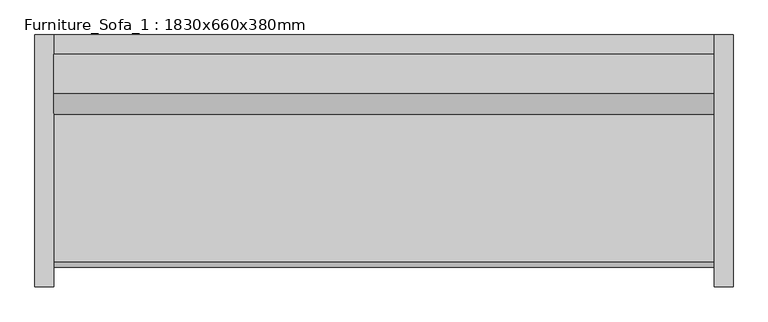
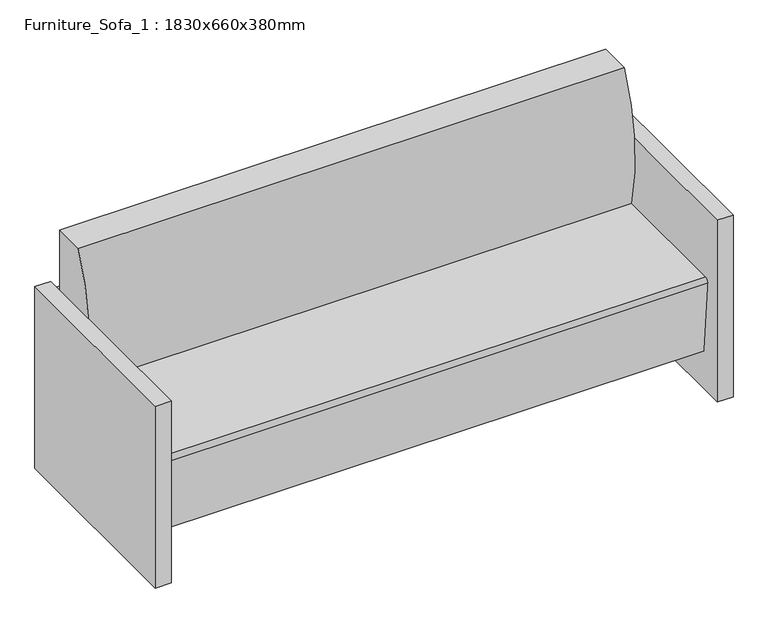
"""IFC4 building model written with IfcOpenShell, lengths in millimetres: furniture geometry, Furniture_Sofa_1 : 1830x660x380mm."""

from ifc_helpers import new_model, si_unit, point, frame, frame_2d, origin, origin_with_axes, place, context, project, spatial, polyline, circle_curve, trimmed, segment, composite_curve, outline, extrude, source, transform, mapped, element, save


def furniture_sofa_1_1830x660x380mm_0f0e3541(model_context):
    return source(origin(), model_context, "Body", "SweptSolid", [
        extrude(outline(polyline([(-794.6295082, 476.3540984), (-794.6295082, -184.0459016), (-844.6295082, -184.0459016), (-844.6295082, 476.3540984), (-794.6295082, 476.3540984)])), origin_with_axes(), (0.0, 0.0, 1.0), 609.6),
        extrude(outline(polyline([(985.3704918, 476.3540984), (985.3704918, -184.0459016), (935.3704918, -184.0459016), (935.3704918, 476.3540984), (985.3704918, 476.3540984)])), origin_with_axes(), (0.0, 0.0, 1.0), 609.6),
        extrude(outline(composite_curve([segment(trimmed(circle_curve(frame_2d((926.517198, 542.5300036)), 660.4), [point((286.1764935, 381.0))], [point((323.9540984, 812.8))], False, "CARTESIAN"), True, "CONTINUOUS"), segment(polyline([(323.9540984, 812.8), (425.5540984, 812.8), (425.5540984, 127.9665467), (-111.108343, 127.9665467), (-132.0379563, 367.1931221)]), True, "CONTINUOUS"), segment(trimmed(circle_curve(frame_2d((-119.3862837, 368.3)), 12.7), [point((-132.0379563, 367.1931221))], [point((-119.3862837, 381.0))], False, "CARTESIAN"), True, "CONTINUOUS"), segment(polyline([(-119.3862837, 381.0), (286.1764935, 381.0)]), True, "CONTINUOUS")], self_intersect=False)), frame((-794.6295082, 0.0, 0.0), z_axis=(1.0, 0.0, 0.0), x_axis=(0.0, 1.0, 0.0)), (0.0, 0.0, 1.0), 1729.2),
        extrude(outline(polyline([(-794.6295082, 425.5540984), (-794.6295082, 476.3540984), (934.5704918, 476.3540984), (934.5704918, 425.5540984), (-794.6295082, 425.5540984)])), frame((0.0, 0.0, 457.2), z_axis=(0.0, 0.0, 1.0), x_axis=(1.0, 0.0, 0.0)), (0.0, 0.0, 1.0), 127.0),
        extrude(outline(polyline([(-794.6295082, 425.5540984), (-794.6295082, 476.3540984), (934.5704918, 476.3540984), (934.5704918, 425.5540984), (-794.6295082, 425.5540984)])), frame((0.0, 0.0, 266.7), z_axis=(0.0, 0.0, 1.0), x_axis=(1.0, 0.0, 0.0)), (0.0, 0.0, 1.0), 127.0),
        extrude(outline(polyline([(-794.6295082, 425.5540984), (-794.6295082, 476.3540984), (934.5704918, 476.3540984), (934.5704918, 425.5540984), (-794.6295082, 425.5540984)])), frame((0.0, 0.0, 76.2), z_axis=(0.0, 0.0, 1.0), x_axis=(1.0, 0.0, 0.0)), (0.0, 0.0, 1.0), 127.0),
    ])


if __name__ == "__main__":
    model = new_model("IFC4")
    model_context = context("Model", 3, world=origin())
    ifc_project = project(units=[si_unit("LENGTHUNIT", "METRE", prefix="MILLI")], contexts=[model_context])
    site = spatial("IfcSite", under=ifc_project)
    building = spatial("IfcBuilding", under=site)
    placement = place(None, origin())
    furniture_sofa_1_1830x660x380mm_shape = furniture_sofa_1_1830x660x380mm_0f0e3541(model_context)
    element("IfcFurniture", 1, ObjectType="Furniture_Sofa_1 : 1830x660x380mm", at=placement, inside=building, context=model_context, shape_type="MappedRepresentation", body=[
        mapped(furniture_sofa_1_1830x660x380mm_shape, transform((0.0, 0.0, 0.0), x_axis=(1.0, 0.0, 0.0), y_axis=(0.0, 1.0, 0.0), z_axis=(0.0, 0.0, 1.0))),
    ])
    save(model, "model.ifc")
